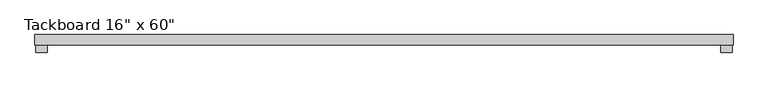
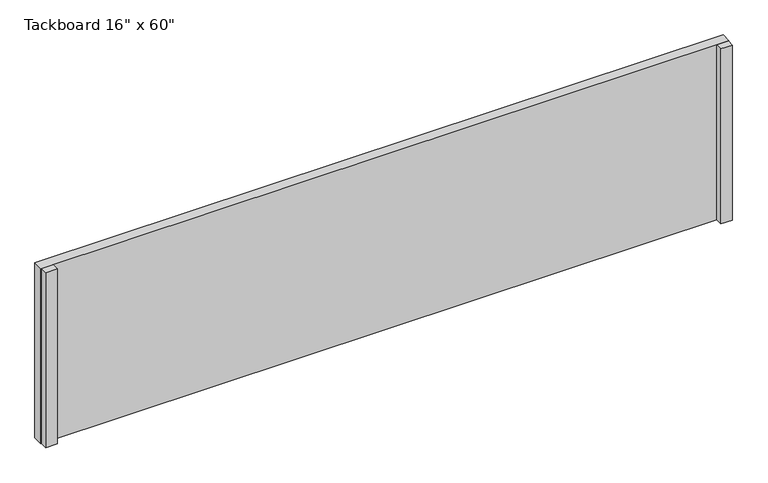
"""IFC4 building model written with IfcOpenShell, lengths in millimetres: furniture geometry."""

from ifc_helpers import new_model, si_unit, frame, origin, place, context, project, spatial, polyline, outline, extrude, source, transform, mapped, element, save


def furniture_ea888f81(model_context):
    return source(origin(), model_context, "Body", "SweptSolid", [
        extrude(outline(polyline([(758.0902902, 32.0718594), (758.0902902, 9.8468594), (-753.2097098, 9.8468594), (-753.2097098, 32.0718594), (758.0902902, 32.0718594)])), frame((0.0, 0.0, 1066.8), z_axis=(0.0, 0.0, 1.0), x_axis=(1.0, 0.0, 0.0)), (0.0, 0.0, 1.0), 406.4),
        extrude(outline(polyline([(731.1027902, -6.0281406), (731.1027902, 9.8468594), (756.5027902, 9.8468594), (756.5027902, -6.0281406), (731.1027902, -6.0281406)])), frame((0.0, 0.0, 1066.8), z_axis=(0.0, 0.0, 1.0), x_axis=(1.0, 0.0, 0.0)), (0.0, 0.0, 1.0), 406.4),
        extrude(outline(polyline([(-726.2222098, -6.0281406), (-751.6222098, -6.0281406), (-751.6222098, 9.8468594), (-726.2222098, 9.8468594), (-726.2222098, -6.0281406)])), frame((0.0, 0.0, 1066.8), z_axis=(0.0, 0.0, 1.0), x_axis=(1.0, 0.0, 0.0)), (0.0, 0.0, 1.0), 406.4),
    ])


if __name__ == "__main__":
    model = new_model("IFC4")
    model_context = context("Model", 3, world=origin())
    ifc_project = project(units=[si_unit("LENGTHUNIT", "METRE", prefix="MILLI")], contexts=[model_context])
    site = spatial("IfcSite", under=ifc_project)
    building = spatial("IfcBuilding", under=site)
    placement = place(None, origin())
    furniture_shape = furniture_ea888f81(model_context)
    element("IfcFurniture", 1, ObjectType="Tackboard 16\" x 60\"", at=placement, inside=building, context=model_context, shape_type="MappedRepresentation", body=[
        mapped(furniture_shape, transform((0.0, 0.0, 0.0), x_axis=(1.0, 0.0, 0.0), y_axis=(0.0, 1.0, 0.0), z_axis=(0.0, 0.0, 1.0))),
    ])
    save(model, "model.ifc")
